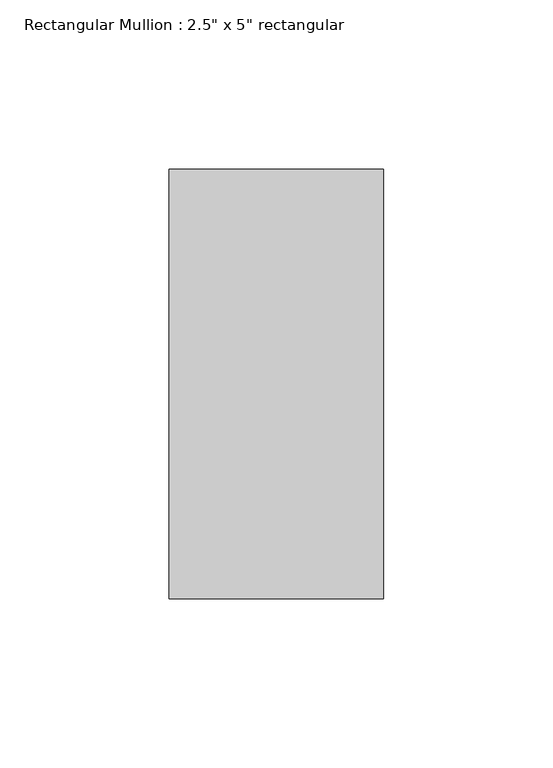
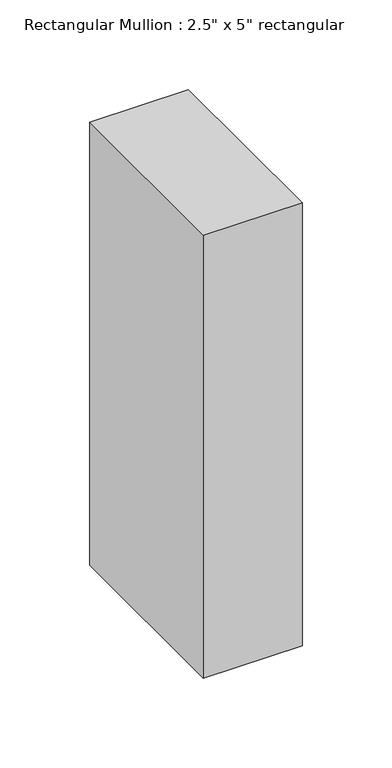
"""IFC4 building model written with IfcOpenShell, lengths in millimetres: member geometry."""

from ifc_helpers import new_model, si_unit, frame, origin, place, context, project, spatial, polyline, outline, extrude, source, transform, mapped, element, save


def member_a5f470ec(model_context):
    return source(origin(), model_context, "Body", "SweptSolid", [
        extrude(outline(polyline([(0.0, 63.5), (0.0, -63.5), (-63.5, -63.5), (-63.5, 63.5), (0.0, 63.5)])), frame((0.0, 0.0, -301.6), z_axis=(0.0, 0.0, 1.0), x_axis=(1.0, 0.0, 0.0)), (0.0, 0.0, 1.0), 301.6),
    ])


if __name__ == "__main__":
    model = new_model("IFC4")
    model_context = context("Model", 3, world=origin())
    ifc_project = project(units=[si_unit("LENGTHUNIT", "METRE", prefix="MILLI")], contexts=[model_context])
    site = spatial("IfcSite", under=ifc_project)
    building = spatial("IfcBuilding", under=site)
    placement = place(None, origin())
    member_shape = member_a5f470ec(model_context)
    element("IfcMember", 1, ObjectType="Rectangular Mullion : 2.5\" x 5\" rectangular", at=placement, inside=building, context=model_context, shape_type="MappedRepresentation", body=[
        mapped(member_shape, transform((0.0, 0.0, 0.0), x_axis=(1.0, 0.0, 0.0), y_axis=(0.0, 1.0, 0.0), z_axis=(0.0, 0.0, 1.0))),
    ])
    save(model, "model.ifc")
